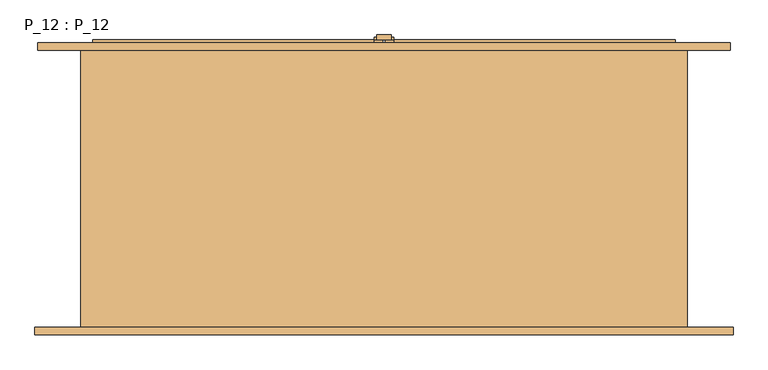
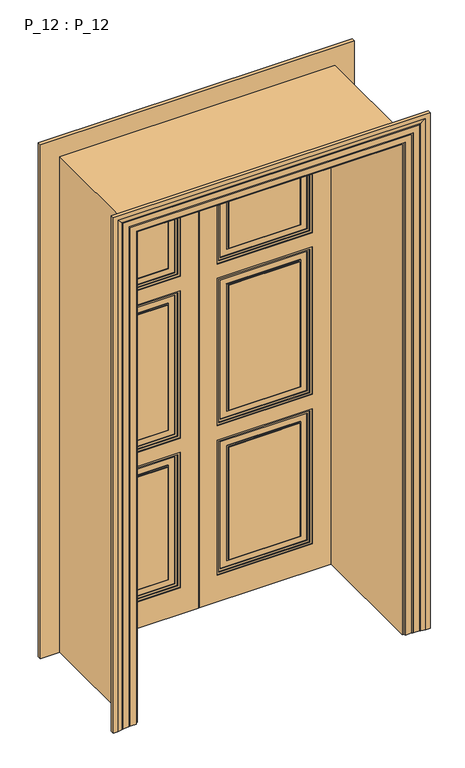
"""IFC4 building model written with IfcOpenShell, lengths in millimetres: door geometry, P_12 : P_12."""

import ifcopenshell
import ifcopenshell.guid

model = None  # the IFC model being written
_history = None  # IfcOwnerHistory: only IFC2X3 demands one
_inside = {}  # id of a spatial element -> (the spatial element, [elements in it])
_under = {}  # id of a project, library or spatial element -> (it, [spatial elements below it])
_declared = {}  # id of a project -> (the project, [libraries it declares])
_typed = {}  # id of a type object -> (the type object, [elements of that type])
_made_of = {}  # id of a material, layer set ... -> (it, [elements and type objects made of it])


def new_model(schema):
    """Start an empty IFC model of exactly this schema.

    Asked for "IFC4X3", IfcOpenShell would pick the latest addendum, in which some entities
    have other attributes; the version numbers below select the first issue.
    IFC2X3 requires an IfcOwnerHistory on every rooted entity: one is made here for all.
    """
    global model, _history
    if schema == "IFC4X3":
        model = ifcopenshell.file(schema_version=(4, 3, 0, 0))
    else:
        model = ifcopenshell.file(schema=schema)
    _inside.clear()
    _under.clear()
    _declared.clear()
    _typed.clear()
    _made_of.clear()
    _history = None
    if model.schema == "IFC2X3":
        org = make("IfcOrganization", Name="unknown")
        user = make(
            "IfcPersonAndOrganization",
            ThePerson=make("IfcPerson", FamilyName="unknown"),
            TheOrganization=org,
        )
        app = make(
            "IfcApplication",
            ApplicationDeveloper=org,
            Version="unknown",
            ApplicationFullName="unknown",
            ApplicationIdentifier="unknown",
        )
        _history = make(
            "IfcOwnerHistory",
            OwningUser=user,
            OwningApplication=app,
            ChangeAction="ADDED",
            CreationDate=0,
        )
    return model


def make(cls, **values):
    """One entity of the class cls with the attributes given. An attribute that is None is left unset."""
    return model.create_entity(
        cls, **{name: value for name, value in values.items() if value is not None}
    )


def rooted(cls, **values):
    """An entity with a GlobalId (a new one), such as an element, a storey or a relation."""
    return make(cls, GlobalId=ifcopenshell.guid.new(), OwnerHistory=_history, **values)


def si_unit(unit_type, name, prefix=None):
    """IfcSIUnit, for example si_unit("LENGTHUNIT", "METRE", prefix="MILLI")."""
    return make("IfcSIUnit", UnitType=unit_type, Prefix=prefix, Name=name)


def assignment(units):
    """IfcUnitAssignment: the units of a project."""
    return None if units is None else make("IfcUnitAssignment", Units=units)


def point(xyz):
    """IfcCartesianPoint."""
    return None if xyz is None else make("IfcCartesianPoint", Coordinates=xyz)


def direction(xyz):
    """IfcDirection."""
    return None if xyz is None else make("IfcDirection", DirectionRatios=xyz)


def frame(location, z_axis=None, x_axis=None):
    """IfcAxis2Placement3D, a coordinate frame: its origin and axes. An axis left out is left unset."""
    return make(
        "IfcAxis2Placement3D",
        Location=point(location),
        Axis=direction(z_axis),
        RefDirection=direction(x_axis),
    )


def origin():
    """The frame at (0, 0, 0) with its axes left unset."""
    return frame((0.0, 0.0, 0.0))


def origin_with_axes():
    """The frame at (0, 0, 0) with the z axis (0, 0, 1) and the x axis (1, 0, 0) written out."""
    return frame((0.0, 0.0, 0.0), z_axis=(0.0, 0.0, 1.0), x_axis=(1.0, 0.0, 0.0))


def place(relative_to, where):
    """IfcLocalPlacement: puts the frame where relative to a parent placement (None: the world)."""
    return make(
        "IfcLocalPlacement", PlacementRelTo=relative_to, RelativePlacement=where
    )


def context(
    kind, dimensions, precision=None, world=None, true_north=None, identifier=None
):
    """IfcGeometricRepresentationContext, for example the 3D "Model" context."""
    return make(
        "IfcGeometricRepresentationContext",
        ContextIdentifier=identifier,
        ContextType=kind,
        CoordinateSpaceDimension=dimensions,
        Precision=precision,
        WorldCoordinateSystem=world,
        TrueNorth=true_north,
    )


def project(units=None, contexts=None):
    """IfcProject with its units and contexts."""
    return rooted(
        "IfcProject",
        Name="project",
        RepresentationContexts=contexts,
        UnitsInContext=assignment(units),
    )


def spatial(cls, under=None, at=None, **own):
    """A site, building, storey or space (cls), placed at a placement, below another one or the project."""
    s = rooted(cls, ObjectPlacement=at, **own)
    if under is not None:
        _under.setdefault(under.id(), (under, []))[1].append(s)
    return s


def polyline(points):
    """IfcPolyline through the points."""
    return make("IfcPolyline", Points=[point(p) for p in points])


def outline(outer, holes=None, kind="AREA"):
    """IfcArbitraryClosedProfileDef: a profile drawn as a closed curve; with holes, ...WithVoids."""
    if holes is None:
        return make("IfcArbitraryClosedProfileDef", ProfileType=kind, OuterCurve=outer)
    return make(
        "IfcArbitraryProfileDefWithVoids",
        ProfileType=kind,
        OuterCurve=outer,
        InnerCurves=holes,
    )


def extrude(swept, where, along, depth):
    """IfcExtrudedAreaSolid: the profile swept, set in the frame where, extruded along a direction by depth."""
    return make(
        "IfcExtrudedAreaSolid",
        SweptArea=swept,
        Position=where,
        ExtrudedDirection=direction(along),
        Depth=depth,
    )


def faces_of(points, faces, orient=None, outer=None):
    """IfcFace entities. A face is a list of loops; a loop is a list of indices into points, from 0.

    orient and outer hold one flag for each loop. By default every Orientation is true, the
    first loop of a face is its IfcFaceOuterBound and the others are IfcFaceBound.
    """
    made = []
    for i, loops in enumerate(faces):
        bounds = []
        for j, loop in enumerate(loops):
            is_outer = j == 0 if outer is None else outer[i][j]
            bounds.append(
                make(
                    "IfcFaceOuterBound" if is_outer else "IfcFaceBound",
                    Bound=make("IfcPolyLoop", Polygon=[points[k] for k in loop]),
                    Orientation=True if orient is None else orient[i][j],
                )
            )
        made.append(make("IfcFace", Bounds=bounds))
    return made


def faceted_brep(points, faces, orient=None, outer=None, voids=None):
    """IfcFacetedBrep: a solid bounded by flat faces; with voids (closed shells), ...WithVoids."""
    shared = [point(p) for p in points]
    hull = make("IfcClosedShell", CfsFaces=faces_of(shared, faces, orient, outer))
    if voids is None:
        return make("IfcFacetedBrep", Outer=hull)
    return make(
        "IfcFacetedBrepWithVoids",
        Outer=hull,
        Voids=[
            make(cls, CfsFaces=faces_of(shared, fs, o, b)) for cls, fs, o, b in voids
        ],
    )


def shape(context_of_items, identifier, shape_type, items):
    """IfcShapeRepresentation: the items that make up one representation, for example the "Body"."""
    return make(
        "IfcShapeRepresentation",
        ContextOfItems=context_of_items,
        RepresentationIdentifier=identifier,
        RepresentationType=shape_type,
        Items=items,
    )


def source(mapping_origin, context_of_items, identifier, shape_type, items):
    """IfcRepresentationMap: a shape defined once, which mapped items show again and again."""
    return make(
        "IfcRepresentationMap",
        MappingOrigin=mapping_origin,
        MappedRepresentation=shape(context_of_items, identifier, shape_type, items),
    )


def transform(
    local_origin,
    x_axis=None,
    y_axis=None,
    z_axis=None,
    scale=None,
    scale2=None,
    scale3=None,
    uniform=True,
):
    """IfcCartesianTransformationOperator3D, or its non-uniform kind. x_axis, y_axis, z_axis: its Axis1, 2, 3."""
    if uniform:
        return make(
            "IfcCartesianTransformationOperator3D",
            Axis1=direction(x_axis),
            Axis2=direction(y_axis),
            LocalOrigin=point(local_origin),
            Scale=scale,
            Axis3=direction(z_axis),
        )
    return make(
        "IfcCartesianTransformationOperator3DnonUniform",
        Axis1=direction(x_axis),
        Axis2=direction(y_axis),
        LocalOrigin=point(local_origin),
        Scale=scale,
        Axis3=direction(z_axis),
        Scale2=scale2,
        Scale3=scale3,
    )


def mapped(mapping_source, mapping_target):
    """IfcMappedItem: shows the shape of a source again, moved by a transform."""
    return make(
        "IfcMappedItem", MappingSource=mapping_source, MappingTarget=mapping_target
    )


def made_of(thing, what):
    """Note that an element or type object is made of a material, layer set ...; save() writes the relation."""
    if what is not None:
        _made_of.setdefault(what.id(), (what, []))[1].append(thing)
    return thing


def element(
    cls,
    number,
    at=None,
    inside=None,
    cuts=None,
    type_object=None,
    material=None,
    context=None,
    identifier="Body",
    shape_type=None,
    held_by="IfcProductDefinitionShape",
    body=None,
    shapes=None,
    **own,
):
    """One element of the class cls, such as IfcWall. Its Tag is "e" and its number.

    at: its placement. inside: the storey or other place that contains it. cuts: it is an
    opening in that element (IfcRelVoidsElement). A single representation is given by context,
    identifier, shape_type and body (its items); several are given by shapes. held_by: the class
    of the entity that holds the representations. save() writes the other relations.
    """
    e = rooted(cls, Tag="e%d" % number, ObjectPlacement=at, **own)
    if body is not None:
        shapes = [shape(context, identifier, shape_type, body)]
    if shapes is not None:
        e.Representation = make(held_by, Representations=shapes)
    if inside is not None:
        _inside.setdefault(inside.id(), (inside, []))[1].append(e)
    if cuts is not None:
        rooted(
            "IfcRelVoidsElement", RelatingBuildingElement=cuts, RelatedOpeningElement=e
        )
    if type_object is not None:
        _typed.setdefault(type_object.id(), (type_object, []))[1].append(e)
    return made_of(e, material)


def aggregate(whole, parts):
    """IfcRelAggregates: a whole, such as a stair, and the parts it consists of."""
    return rooted("IfcRelAggregates", RelatingObject=whole, RelatedObjects=parts)


def save(model, path):
    """Write the relations noted so far, then the file.

    IfcRelAggregates (storeys below a building ...), IfcRelContainedInSpatialStructure (elements
    in a storey), IfcRelDefinesByType, IfcRelAssociatesMaterial and IfcRelDeclares: one each for
    every whole, place, type object, material and project.
    """
    for whole, parts in _under.values():
        aggregate(whole, parts)
    for where, things in _inside.values():
        rooted(
            "IfcRelContainedInSpatialStructure",
            RelatedElements=things,
            RelatingStructure=where,
        )
    for kind, things in _typed.values():
        rooted("IfcRelDefinesByType", RelatedObjects=things, RelatingType=kind)
    for what, things in _made_of.values():
        rooted("IfcRelAssociatesMaterial", RelatedObjects=things, RelatingMaterial=what)
    for by, libraries in _declared.values():
        rooted("IfcRelDeclares", RelatingContext=by, RelatedDefinitions=libraries)
    model.write(path)


def p_12_p_12_e180a871(model_context):
    return source(origin(), model_context, "Body", "SolidModel", [
        extrude(outline(polyline([(15.0, 312.0), (-15.0, 312.0), (-15.0, 322.0), (15.0, 322.0), (15.0, 312.0)])), origin_with_axes(), (0.0, 0.0, 1.0), 2400.0),
        extrude(outline(polyline([(20.0, 312.0), (15.0, 312.0), (15.0, 317.0), (20.0, 317.0), (20.0, 312.0)])), origin_with_axes(), (0.0, 0.0, 1.0), 2400.0),
        extrude(outline(polyline([(-15.0, 312.0), (-20.0, 312.0), (-20.0, 317.0), (-15.0, 317.0), (-15.0, 312.0)])), origin_with_axes(), (0.0, 0.0, 1.0), 2400.0),
        extrude(outline(polyline([(130.0, -525.0), (130.0, -85.0), (790.0, -85.0), (790.0, -525.0), (130.0, -525.0)]), holes=[polyline([(780.0, -95.0), (140.0, -95.0), (140.0, -515.0), (780.0, -515.0), (780.0, -95.0)])]), frame((0.0, 282.0, 0.0), z_axis=(0.0, 1.0, 0.0), x_axis=(0.0, 0.0, 1.0)), (0.0, 0.0, 1.0), 8.0),
        extrude(outline(polyline([(1580.0, -85.0), (1580.0, -525.0), (860.0, -525.0), (860.0, -85.0), (1580.0, -85.0)]), holes=[polyline([(870.0, -95.0), (870.0, -515.0), (1570.0, -515.0), (1570.0, -95.0), (870.0, -95.0)])]), frame((0.0, 282.0, 0.0), z_axis=(0.0, 1.0, 0.0), x_axis=(0.0, 0.0, 1.0)), (0.0, 0.0, 1.0), 8.0),
        extrude(outline(polyline([(1650.0, -85.0), (2310.0, -85.0), (2310.0, -525.0), (1650.0, -525.0), (1650.0, -85.0)]), holes=[polyline([(2300.0, -95.0), (1660.0, -95.0), (1660.0, -515.0), (2300.0, -515.0), (2300.0, -95.0)])]), frame((0.0, 282.0, 0.0), z_axis=(0.0, 1.0, 0.0), x_axis=(0.0, 0.0, 1.0)), (0.0, 0.0, 1.0), 8.0),
        extrude(outline(polyline([(0.0, -610.0), (0.0, -2.5), (2395.0, -2.5), (2395.0, -610.0), (0.0, -610.0)]), holes=[polyline([(130.0, -85.0), (130.0, -525.0), (790.0, -525.0), (790.0, -85.0), (130.0, -85.0)]), polyline([(1650.0, -85.0), (1650.0, -525.0), (2310.0, -525.0), (2310.0, -85.0), (1650.0, -85.0)]), polyline([(1580.0, -525.0), (1580.0, -85.0), (860.0, -85.0), (860.0, -525.0), (1580.0, -525.0)])]), frame((0.0, 278.0, 0.0), z_axis=(0.0, 1.0, 0.0), x_axis=(0.0, 0.0, 1.0)), (0.0, 0.0, 1.0), 12.0),
        extrude(outline(polyline([(130.0, 525.0), (790.0, 525.0), (790.0, 85.0), (130.0, 85.0), (130.0, 525.0)]), holes=[polyline([(780.0, 95.0), (780.0, 515.0), (140.0, 515.0), (140.0, 95.0), (780.0, 95.0)])]), frame((0.0, 282.0, 0.0), z_axis=(0.0, 1.0, 0.0), x_axis=(0.0, 0.0, 1.0)), (0.0, 0.0, 1.0), 8.0),
        extrude(outline(polyline([(1650.0, 85.0), (1650.0, 525.0), (2310.0, 525.0), (2310.0, 85.0), (1650.0, 85.0)]), holes=[polyline([(2300.0, 95.0), (2300.0, 515.0), (1660.0, 515.0), (1660.0, 95.0), (2300.0, 95.0)])]), frame((0.0, 282.0, 0.0), z_axis=(0.0, 1.0, 0.0), x_axis=(0.0, 0.0, 1.0)), (0.0, 0.0, 1.0), 8.0),
        extrude(outline(polyline([(1580.0, 85.0), (860.0, 85.0), (860.0, 525.0), (1580.0, 525.0), (1580.0, 85.0)]), holes=[polyline([(870.0, 95.0), (1570.0, 95.0), (1570.0, 515.0), (870.0, 515.0), (870.0, 95.0)])]), frame((0.0, 282.0, 0.0), z_axis=(0.0, 1.0, 0.0), x_axis=(0.0, 0.0, 1.0)), (0.0, 0.0, 1.0), 8.0),
        extrude(outline(polyline([(0.0, 610.0), (2395.0, 610.0), (2395.0, 2.5), (0.0, 2.5), (0.0, 610.0)]), holes=[polyline([(130.0, 85.0), (790.0, 85.0), (790.0, 525.0), (130.0, 525.0), (130.0, 85.0)]), polyline([(1580.0, 525.0), (860.0, 525.0), (860.0, 85.0), (1580.0, 85.0), (1580.0, 525.0)]), polyline([(1650.0, 85.0), (2310.0, 85.0), (2310.0, 525.0), (1650.0, 525.0), (1650.0, 85.0)])]), frame((0.0, 278.0, 0.0), z_axis=(0.0, 1.0, 0.0), x_axis=(0.0, 0.0, 1.0)), (0.0, 0.0, 1.0), 12.0),
        extrude(outline(polyline([(130.0, -525.0), (130.0, -85.0), (790.0, -85.0), (790.0, -525.0), (130.0, -525.0)]), holes=[polyline([(780.0, -95.0), (140.0, -95.0), (140.0, -515.0), (780.0, -515.0), (780.0, -95.0)])]), frame((0.0, 300.0, 0.0), z_axis=(0.0, 1.0, 0.0), x_axis=(0.0, 0.0, 1.0)), (0.0, 0.0, 1.0), 8.0),
        extrude(outline(polyline([(1650.0, -85.0), (2310.0, -85.0), (2310.0, -525.0), (1650.0, -525.0), (1650.0, -85.0)]), holes=[polyline([(2300.0, -95.0), (1660.0, -95.0), (1660.0, -515.0), (2300.0, -515.0), (2300.0, -95.0)])]), frame((0.0, 300.0, 0.0), z_axis=(0.0, 1.0, 0.0), x_axis=(0.0, 0.0, 1.0)), (0.0, 0.0, 1.0), 8.0),
        extrude(outline(polyline([(1580.0, -85.0), (1580.0, -525.0), (860.0, -525.0), (860.0, -85.0), (1580.0, -85.0)]), holes=[polyline([(870.0, -95.0), (870.0, -515.0), (1570.0, -515.0), (1570.0, -95.0), (870.0, -95.0)])]), frame((0.0, 300.0, 0.0), z_axis=(0.0, 1.0, 0.0), x_axis=(0.0, 0.0, 1.0)), (0.0, 0.0, 1.0), 8.0),
        extrude(outline(polyline([(0.0, -610.0), (0.0, -2.5), (2395.0, -2.5), (2395.0, -610.0), (0.0, -610.0)]), holes=[polyline([(130.0, -85.0), (130.0, -525.0), (790.0, -525.0), (790.0, -85.0), (130.0, -85.0)]), polyline([(1650.0, -85.0), (1650.0, -525.0), (2310.0, -525.0), (2310.0, -85.0), (1650.0, -85.0)]), polyline([(1580.0, -525.0), (1580.0, -85.0), (860.0, -85.0), (860.0, -525.0), (1580.0, -525.0)])]), frame((0.0, 300.0, 0.0), z_axis=(0.0, 1.0, 0.0), x_axis=(0.0, 0.0, 1.0)), (0.0, 0.0, 1.0), 12.0),
        extrude(outline(polyline([(0.0, -615.0), (0.0, -610.0), (2395.0, -610.0), (2395.0, -2.5), (2400.0, -2.5), (2400.0, -615.0), (0.0, -615.0)])), frame((0.0, 300.0, 0.0), z_axis=(0.0, 1.0, 0.0), x_axis=(0.0, 0.0, 1.0)), (0.0, 0.0, 1.0), 5.0),
        extrude(outline(polyline([(-2.5, 290.0), (-615.0, 290.0), (-615.0, 300.0), (-2.5, 300.0), (-2.5, 290.0)])), origin_with_axes(), (0.0, 0.0, 1.0), 2400.0),
        extrude(outline(polyline([(615.0, 290.0), (2.5, 290.0), (2.5, 300.0), (615.0, 300.0), (615.0, 290.0)])), origin_with_axes(), (0.0, 0.0, 1.0), 2400.0),
        extrude(outline(polyline([(130.0, 525.0), (790.0, 525.0), (790.0, 85.0), (130.0, 85.0), (130.0, 525.0)]), holes=[polyline([(780.0, 95.0), (780.0, 515.0), (140.0, 515.0), (140.0, 95.0), (780.0, 95.0)])]), frame((0.0, 300.0, 0.0), z_axis=(0.0, 1.0, 0.0), x_axis=(0.0, 0.0, 1.0)), (0.0, 0.0, 1.0), 8.0),
        extrude(outline(polyline([(1580.0, 85.0), (860.0, 85.0), (860.0, 525.0), (1580.0, 525.0), (1580.0, 85.0)]), holes=[polyline([(870.0, 95.0), (1570.0, 95.0), (1570.0, 515.0), (870.0, 515.0), (870.0, 95.0)])]), frame((0.0, 300.0, 0.0), z_axis=(0.0, 1.0, 0.0), x_axis=(0.0, 0.0, 1.0)), (0.0, 0.0, 1.0), 8.0),
        extrude(outline(polyline([(1650.0, 85.0), (1650.0, 525.0), (2310.0, 525.0), (2310.0, 85.0), (1650.0, 85.0)]), holes=[polyline([(2300.0, 95.0), (2300.0, 515.0), (1660.0, 515.0), (1660.0, 95.0), (2300.0, 95.0)])]), frame((0.0, 300.0, 0.0), z_axis=(0.0, 1.0, 0.0), x_axis=(0.0, 0.0, 1.0)), (0.0, 0.0, 1.0), 8.0),
        faceted_brep([(615.0, 300.0, 0.0), (615.0, 300.0, 2400.0), (2.5, 300.0, 2400.0), (2.5, 300.0, 0.0), (85.0, 300.0, 130.0), (85.0, 300.0, 790.0), (525.0, 300.0, 790.0), (525.0, 300.0, 130.0), (525.0, 300.0, 1580.0), (525.0, 300.0, 860.0), (85.0, 300.0, 860.0), (85.0, 300.0, 1580.0), (85.0, 300.0, 1650.0), (85.0, 300.0, 2310.0), (525.0, 300.0, 2310.0), (525.0, 300.0, 1650.0), (85.0, 312.0, 130.0), (85.0, 312.0, 790.0), (525.0, 312.0, 790.0), (525.0, 312.0, 130.0), (615.0, 305.0, 0.0), (615.0, 305.0, 2400.0), (2.5, 305.0, 2400.0), (2.5, 305.0, 2395.0), (2.5, 312.0, 2395.0), (2.5, 312.0, 0.0), (610.0, 312.0, 0.0), (610.0, 305.0, 0.0), (525.0, 312.0, 1580.0), (525.0, 312.0, 860.0), (85.0, 312.0, 860.0), (85.0, 312.0, 1580.0), (610.0, 312.0, 2395.0), (85.0, 312.0, 1650.0), (525.0, 312.0, 1650.0), (525.0, 312.0, 2310.0), (85.0, 312.0, 2310.0), (610.0, 305.0, 2395.0)], [[[0, 1, 2, 3], [4, 5, 6, 7], [8, 9, 10, 11], [12, 13, 14, 15]], [[5, 4, 16, 17]], [[6, 5, 17, 18]], [[7, 6, 18, 19]], [[4, 7, 19, 16]], [[0, 20, 21, 1]], [[3, 2, 22, 23, 24, 25]], [[0, 3, 25, 26, 27, 20]], [[9, 8, 28, 29]], [[10, 9, 29, 30]], [[11, 10, 30, 31]], [[26, 25, 24, 32], [16, 19, 18, 17], [33, 34, 35, 36], [28, 31, 30, 29]], [[26, 32, 37, 27]], [[20, 27, 37, 23, 22, 21]], [[13, 12, 33, 36]], [[14, 13, 36, 35]], [[15, 14, 35, 34]], [[1, 21, 22, 2]], [[32, 24, 23, 37]], [[12, 15, 34, 33]], [[8, 11, 31, 28]]]),
        faceted_brep([(725.0, 290.0, 0.0), (635.0, 290.0, 0.0), (635.0, -290.0, 0.0), (731.0, -290.0, 0.0), (731.0, -306.0, 0.0), (711.0, -306.0, 0.0), (691.0, -302.0291126, 0.0), (691.0, -301.0291126, 0.0), (686.0, -301.0291126, 0.0), (686.0, -300.0291126, 0.0), (656.0, -300.0291126, 0.0), (656.0, -299.0291126, 0.0), (651.0, -299.0291126, 0.0), (651.0, -298.0291126, 0.0), (621.0, -298.0291126, 0.0), (621.0, -290.0, 0.0), (611.0, -290.0, 0.0), (611.0, 290.0, 0.0), (621.0, 290.0, 0.0), (621.0, 298.0291126, 0.0), (651.0, 298.0291126, 0.0), (651.0, 299.0291126, 0.0), (656.0, 299.0291126, 0.0), (656.0, 300.0291126, 0.0), (680.0, 300.0291126, 0.0), (680.0, 301.0291126, 0.0), (685.0, 301.0291126, 0.0), (685.0, 302.0291126, 0.0), (705.0, 306.0, 0.0), (725.0, 306.0, 0.0), (725.0, 290.0, 2510.0), (-725.0, 290.0, 2510.0), (-725.0, 290.0, 0.0), (-635.0, 290.0, 0.0), (-635.0, 290.0, 2420.0), (635.0, 290.0, 2420.0), (635.0, -290.0, 2420.0), (-635.0, -290.0, 2420.0), (-635.0, -290.0, 0.0), (-731.0, -290.0, 0.0), (-731.0, -290.0, 2516.0), (731.0, -290.0, 2516.0), (731.0, -306.0, 2516.0), (-731.0, -306.0, 2516.0), (-731.0, -306.0, 0.0), (-711.0, -306.0, 0.0), (-711.0, -306.0, 2496.0), (711.0, -306.0, 2496.0), (691.0, -302.0291126, 2476.0), (691.0, -301.0291126, 2476.0), (-691.0, -301.0291126, 2476.0), (-691.0, -301.0291126, 0.0), (-686.0, -301.0291126, 0.0), (-686.0, -301.0291126, 2471.0), (686.0, -301.0291126, 2471.0), (686.0, -300.0291126, 2471.0), (-686.0, -300.0291126, 2471.0), (-686.0, -300.0291126, 0.0), (-656.0, -300.0291126, 0.0), (-656.0, -300.0291126, 2441.0), (656.0, -300.0291126, 2441.0), (656.0, -299.0291126, 2441.0), (-656.0, -299.0291126, 2441.0), (-656.0, -299.0291126, 0.0), (-651.0, -299.0291126, 0.0), (-651.0, -299.0291126, 2436.0), (651.0, -299.0291126, 2436.0), (651.0, -298.0291126, 2436.0), (-651.0, -298.0291126, 2436.0), (-651.0, -298.0291126, 0.0), (-621.0, -298.0291126, 0.0), (-621.0, -298.0291126, 2406.0), (621.0, -298.0291126, 2406.0), (621.0, -290.0, 2406.0), (-621.0, -290.0, 2406.0), (-621.0, -290.0, 0.0), (-611.0, -290.0, 0.0), (-611.0, -290.0, 2396.0), (611.0, -290.0, 2396.0), (611.0, 290.0, 2396.0), (-611.0, 290.0, 2396.0), (-611.0, 290.0, 0.0), (-621.0, 290.0, 0.0), (-621.0, 290.0, 2406.0), (621.0, 290.0, 2406.0), (621.0, 298.0291126, 2406.0), (-621.0, 298.0291126, 2406.0), (-621.0, 298.0291126, 0.0), (-651.0, 298.0291126, 0.0), (-651.0, 298.0291126, 2436.0), (651.0, 298.0291126, 2436.0), (651.0, 299.0291126, 2436.0), (-651.0, 299.0291126, 2436.0), (-651.0, 299.0291126, 0.0), (-656.0, 299.0291126, 0.0), (-656.0, 299.0291126, 2441.0), (656.0, 299.0291126, 2441.0), (656.0, 300.0291126, 2441.0), (-656.0, 300.0291126, 2441.0), (-656.0, 300.0291126, 0.0), (-680.0, 300.0291126, 0.0), (-680.0, 300.0291126, 2465.0), (680.0, 300.0291126, 2465.0), (680.0, 301.0291126, 2465.0), (-680.0, 301.0291126, 2465.0), (-680.0, 301.0291126, 0.0), (-685.0, 301.0291126, 0.0), (-685.0, 301.0291126, 2470.0), (685.0, 301.0291126, 2470.0), (685.0, 302.0291126, 2470.0), (705.0, 306.0, 2490.0), (-705.0, 306.0, 2490.0), (-705.0, 306.0, 0.0), (-725.0, 306.0, 0.0), (-725.0, 306.0, 2510.0), (725.0, 306.0, 2510.0), (-685.0, 302.0291126, 0.0), (-691.0, -302.0291126, 0.0), (-685.0, 302.0291126, 2470.0), (-691.0, -302.0291126, 2476.0)], [[[0, 1, 2, 3, 4, 5, 6, 7, 8, 9, 10, 11, 12, 13, 14, 15, 16, 17, 18, 19, 20, 21, 22, 23, 24, 25, 26, 27, 28, 29]], [[1, 0, 30, 31, 32, 33, 34, 35]], [[2, 1, 35, 36]], [[3, 2, 36, 37, 38, 39, 40, 41]], [[4, 3, 41, 42]], [[5, 4, 42, 43, 44, 45, 46, 47]], [[6, 5, 47, 48]], [[7, 6, 48, 49]], [[8, 7, 49, 50, 51, 52, 53, 54]], [[9, 8, 54, 55]], [[10, 9, 55, 56, 57, 58, 59, 60]], [[11, 10, 60, 61]], [[12, 11, 61, 62, 63, 64, 65, 66]], [[13, 12, 66, 67]], [[14, 13, 67, 68, 69, 70, 71, 72]], [[15, 14, 72, 73]], [[16, 15, 73, 74, 75, 76, 77, 78]], [[17, 16, 78, 79]], [[18, 17, 79, 80, 81, 82, 83, 84]], [[19, 18, 84, 85]], [[20, 19, 85, 86, 87, 88, 89, 90]], [[21, 20, 90, 91]], [[22, 21, 91, 92, 93, 94, 95, 96]], [[23, 22, 96, 97]], [[24, 23, 97, 98, 99, 100, 101, 102]], [[25, 24, 102, 103]], [[26, 25, 103, 104, 105, 106, 107, 108]], [[27, 26, 108, 109]], [[28, 27, 109, 110]], [[29, 28, 110, 111, 112, 113, 114, 115]], [[0, 29, 115, 30]], [[31, 114, 113, 32]], [[32, 113, 112, 116, 106, 105, 100, 99, 94, 93, 88, 87, 82, 81, 76, 75, 70, 69, 64, 63, 58, 57, 52, 51, 117, 45, 44, 39, 38, 33]], [[37, 34, 33, 38]], [[74, 71, 70, 75]], [[80, 77, 76, 81]], [[86, 83, 82, 87]], [[111, 118, 116, 112]], [[118, 107, 106, 116]], [[104, 101, 100, 105]], [[98, 95, 94, 99]], [[92, 89, 88, 93]], [[68, 65, 64, 69]], [[62, 59, 58, 63]], [[56, 53, 52, 57]], [[50, 119, 117, 51]], [[119, 46, 45, 117]], [[43, 40, 39, 44]], [[30, 115, 114, 31]], [[36, 35, 34, 37]], [[73, 72, 71, 74]], [[79, 78, 77, 80]], [[85, 84, 83, 86]], [[91, 90, 89, 92]], [[97, 96, 95, 98]], [[103, 102, 101, 104]], [[109, 108, 107, 118]], [[110, 109, 118, 111]], [[42, 41, 40, 43]], [[48, 47, 46, 119]], [[49, 48, 119, 50]], [[55, 54, 53, 56]], [[61, 60, 59, 62]], [[67, 66, 65, 68]]]),
        extrude(outline(polyline([(-470.0, 290.0), (-140.0, 290.0), (-140.0, 282.0), (-470.0, 282.0), (-470.0, 290.0)])), frame((0.0, 0.0, 185.0), z_axis=(0.0, 0.0, 1.0), x_axis=(1.0, 0.0, 0.0)), (0.0, 0.0, 1.0), 550.0),
        extrude(outline(polyline([(-470.0, 290.0), (-140.0, 290.0), (-140.0, 282.0), (-470.0, 282.0), (-470.0, 290.0)])), frame((0.0, 0.0, 915.0), z_axis=(0.0, 0.0, 1.0), x_axis=(1.0, 0.0, 0.0)), (0.0, 0.0, 1.0), 610.0),
        extrude(outline(polyline([(-470.0, 290.0), (-140.0, 290.0), (-140.0, 282.0), (-470.0, 282.0), (-470.0, 290.0)])), frame((0.0, 0.0, 1705.0), z_axis=(0.0, 0.0, 1.0), x_axis=(1.0, 0.0, 0.0)), (0.0, 0.0, 1.0), 550.0),
        extrude(outline(polyline([(780.0, -95.0), (780.0, -515.0), (140.0, -515.0), (140.0, -95.0), (780.0, -95.0)]), holes=[polyline([(770.0, -105.0), (150.0, -105.0), (150.0, -505.0), (770.0, -505.0), (770.0, -105.0)])]), frame((0.0, 286.0, 0.0), z_axis=(0.0, 1.0, 0.0), x_axis=(0.0, 0.0, 1.0)), (0.0, 0.0, 1.0), 4.0),
        extrude(outline(polyline([(740.0, -135.0), (740.0, -475.0), (180.0, -475.0), (180.0, -135.0), (740.0, -135.0)]), holes=[polyline([(735.0, -140.0), (185.0, -140.0), (185.0, -470.0), (735.0, -470.0), (735.0, -140.0)])]), frame((0.0, 286.0, 0.0), z_axis=(0.0, 1.0, 0.0), x_axis=(0.0, 0.0, 1.0)), (0.0, 0.0, 1.0), 4.0),
        extrude(outline(polyline([(2300.0, -95.0), (2300.0, -515.0), (1660.0, -515.0), (1660.0, -95.0), (2300.0, -95.0)]), holes=[polyline([(2290.0, -105.0), (1670.0, -105.0), (1670.0, -505.0), (2290.0, -505.0), (2290.0, -105.0)])]), frame((0.0, 286.0, 0.0), z_axis=(0.0, 1.0, 0.0), x_axis=(0.0, 0.0, 1.0)), (0.0, 0.0, 1.0), 4.0),
        extrude(outline(polyline([(1570.0, -95.0), (1570.0, -515.0), (870.0, -515.0), (870.0, -95.0), (1570.0, -95.0)]), holes=[polyline([(1560.0, -105.0), (880.0, -105.0), (880.0, -505.0), (1560.0, -505.0), (1560.0, -105.0)])]), frame((0.0, 286.0, 0.0), z_axis=(0.0, 1.0, 0.0), x_axis=(0.0, 0.0, 1.0)), (0.0, 0.0, 1.0), 4.0),
        extrude(outline(polyline([(1530.0, -135.0), (1530.0, -475.0), (910.0, -475.0), (910.0, -135.0), (1530.0, -135.0)]), holes=[polyline([(1525.0, -140.0), (915.0, -140.0), (915.0, -470.0), (1525.0, -470.0), (1525.0, -140.0)])]), frame((0.0, 286.0, 0.0), z_axis=(0.0, 1.0, 0.0), x_axis=(0.0, 0.0, 1.0)), (0.0, 0.0, 1.0), 4.0),
        extrude(outline(polyline([(2260.0, -135.0), (2260.0, -475.0), (1700.0, -475.0), (1700.0, -135.0), (2260.0, -135.0)]), holes=[polyline([(2255.0, -140.0), (1705.0, -140.0), (1705.0, -470.0), (2255.0, -470.0), (2255.0, -140.0)])]), frame((0.0, 286.0, 0.0), z_axis=(0.0, 1.0, 0.0), x_axis=(0.0, 0.0, 1.0)), (0.0, 0.0, 1.0), 4.0),
        extrude(outline(polyline([(140.0, 290.0), (470.0, 290.0), (470.0, 282.0), (140.0, 282.0), (140.0, 290.0)])), frame((0.0, 0.0, 185.0), z_axis=(0.0, 0.0, 1.0), x_axis=(1.0, 0.0, 0.0)), (0.0, 0.0, 1.0), 550.0),
        extrude(outline(polyline([(140.0, 290.0), (470.0, 290.0), (470.0, 282.0), (140.0, 282.0), (140.0, 290.0)])), frame((0.0, 0.0, 915.0), z_axis=(0.0, 0.0, 1.0), x_axis=(1.0, 0.0, 0.0)), (0.0, 0.0, 1.0), 610.0),
        extrude(outline(polyline([(140.0, 290.0), (470.0, 290.0), (470.0, 282.0), (140.0, 282.0), (140.0, 290.0)])), frame((0.0, 0.0, 1705.0), z_axis=(0.0, 0.0, 1.0), x_axis=(1.0, 0.0, 0.0)), (0.0, 0.0, 1.0), 550.0),
        extrude(outline(polyline([(780.0, 95.0), (140.0, 95.0), (140.0, 515.0), (780.0, 515.0), (780.0, 95.0)]), holes=[polyline([(770.0, 105.0), (770.0, 505.0), (150.0, 505.0), (150.0, 105.0), (770.0, 105.0)])]), frame((0.0, 286.0, 0.0), z_axis=(0.0, 1.0, 0.0), x_axis=(0.0, 0.0, 1.0)), (0.0, 0.0, 1.0), 4.0),
        extrude(outline(polyline([(740.0, 135.0), (180.0, 135.0), (180.0, 475.0), (740.0, 475.0), (740.0, 135.0)]), holes=[polyline([(735.0, 140.0), (735.0, 470.0), (185.0, 470.0), (185.0, 140.0), (735.0, 140.0)])]), frame((0.0, 286.0, 0.0), z_axis=(0.0, 1.0, 0.0), x_axis=(0.0, 0.0, 1.0)), (0.0, 0.0, 1.0), 4.0),
        extrude(outline(polyline([(1570.0, 95.0), (870.0, 95.0), (870.0, 515.0), (1570.0, 515.0), (1570.0, 95.0)]), holes=[polyline([(1560.0, 105.0), (1560.0, 505.0), (880.0, 505.0), (880.0, 105.0), (1560.0, 105.0)])]), frame((0.0, 286.0, 0.0), z_axis=(0.0, 1.0, 0.0), x_axis=(0.0, 0.0, 1.0)), (0.0, 0.0, 1.0), 4.0),
        extrude(outline(polyline([(1530.0, 135.0), (910.0, 135.0), (910.0, 475.0), (1530.0, 475.0), (1530.0, 135.0)]), holes=[polyline([(1525.0, 140.0), (1525.0, 470.0), (915.0, 470.0), (915.0, 140.0), (1525.0, 140.0)])]), frame((0.0, 286.0, 0.0), z_axis=(0.0, 1.0, 0.0), x_axis=(0.0, 0.0, 1.0)), (0.0, 0.0, 1.0), 4.0),
        extrude(outline(polyline([(2300.0, 95.0), (1660.0, 95.0), (1660.0, 515.0), (2300.0, 515.0), (2300.0, 95.0)]), holes=[polyline([(2290.0, 105.0), (2290.0, 505.0), (1670.0, 505.0), (1670.0, 105.0), (2290.0, 105.0)])]), frame((0.0, 286.0, 0.0), z_axis=(0.0, 1.0, 0.0), x_axis=(0.0, 0.0, 1.0)), (0.0, 0.0, 1.0), 4.0),
        extrude(outline(polyline([(2260.0, 135.0), (1700.0, 135.0), (1700.0, 475.0), (2260.0, 475.0), (2260.0, 135.0)]), holes=[polyline([(2255.0, 140.0), (2255.0, 470.0), (1705.0, 470.0), (1705.0, 140.0), (2255.0, 140.0)])]), frame((0.0, 286.0, 0.0), z_axis=(0.0, 1.0, 0.0), x_axis=(0.0, 0.0, 1.0)), (0.0, 0.0, 1.0), 4.0),
        extrude(outline(polyline([(-140.0, 300.0), (-470.0, 300.0), (-470.0, 308.0), (-140.0, 308.0), (-140.0, 300.0)])), frame((0.0, 0.0, 185.0), z_axis=(0.0, 0.0, 1.0), x_axis=(1.0, 0.0, 0.0)), (0.0, 0.0, 1.0), 550.0),
        extrude(outline(polyline([(-140.0, 300.0), (-470.0, 300.0), (-470.0, 308.0), (-140.0, 308.0), (-140.0, 300.0)])), frame((0.0, 0.0, 915.0), z_axis=(0.0, 0.0, 1.0), x_axis=(1.0, 0.0, 0.0)), (0.0, 0.0, 1.0), 610.0),
        extrude(outline(polyline([(-140.0, 300.0), (-470.0, 300.0), (-470.0, 308.0), (-140.0, 308.0), (-140.0, 300.0)])), frame((0.0, 0.0, 1705.0), z_axis=(0.0, 0.0, 1.0), x_axis=(1.0, 0.0, 0.0)), (0.0, 0.0, 1.0), 550.0),
        extrude(outline(polyline([(780.0, -95.0), (780.0, -515.0), (140.0, -515.0), (140.0, -95.0), (780.0, -95.0)]), holes=[polyline([(770.0, -105.0), (150.0, -105.0), (150.0, -505.0), (770.0, -505.0), (770.0, -105.0)])]), frame((0.0, 300.0, 0.0), z_axis=(0.0, 1.0, 0.0), x_axis=(0.0, 0.0, 1.0)), (0.0, 0.0, 1.0), 4.0),
        extrude(outline(polyline([(740.0, -135.0), (740.0, -475.0), (180.0, -475.0), (180.0, -135.0), (740.0, -135.0)]), holes=[polyline([(735.0, -140.0), (185.0, -140.0), (185.0, -470.0), (735.0, -470.0), (735.0, -140.0)])]), frame((0.0, 300.0, 0.0), z_axis=(0.0, 1.0, 0.0), x_axis=(0.0, 0.0, 1.0)), (0.0, 0.0, 1.0), 4.0),
        extrude(outline(polyline([(1570.0, -95.0), (1570.0, -515.0), (870.0, -515.0), (870.0, -95.0), (1570.0, -95.0)]), holes=[polyline([(1560.0, -105.0), (880.0, -105.0), (880.0, -505.0), (1560.0, -505.0), (1560.0, -105.0)])]), frame((0.0, 300.0, 0.0), z_axis=(0.0, 1.0, 0.0), x_axis=(0.0, 0.0, 1.0)), (0.0, 0.0, 1.0), 4.0),
        extrude(outline(polyline([(1530.0, -135.0), (1530.0, -475.0), (910.0, -475.0), (910.0, -135.0), (1530.0, -135.0)]), holes=[polyline([(1525.0, -140.0), (915.0, -140.0), (915.0, -470.0), (1525.0, -470.0), (1525.0, -140.0)])]), frame((0.0, 300.0, 0.0), z_axis=(0.0, 1.0, 0.0), x_axis=(0.0, 0.0, 1.0)), (0.0, 0.0, 1.0), 4.0),
        extrude(outline(polyline([(2300.0, -95.0), (2300.0, -515.0), (1660.0, -515.0), (1660.0, -95.0), (2300.0, -95.0)]), holes=[polyline([(2290.0, -105.0), (1670.0, -105.0), (1670.0, -505.0), (2290.0, -505.0), (2290.0, -105.0)])]), frame((0.0, 300.0, 0.0), z_axis=(0.0, 1.0, 0.0), x_axis=(0.0, 0.0, 1.0)), (0.0, 0.0, 1.0), 4.0),
        extrude(outline(polyline([(2260.0, -135.0), (2260.0, -475.0), (1700.0, -475.0), (1700.0, -135.0), (2260.0, -135.0)]), holes=[polyline([(2255.0, -140.0), (1705.0, -140.0), (1705.0, -470.0), (2255.0, -470.0), (2255.0, -140.0)])]), frame((0.0, 300.0, 0.0), z_axis=(0.0, 1.0, 0.0), x_axis=(0.0, 0.0, 1.0)), (0.0, 0.0, 1.0), 4.0),
        extrude(outline(polyline([(470.0, 300.0), (140.0, 300.0), (140.0, 308.0), (470.0, 308.0), (470.0, 300.0)])), frame((0.0, 0.0, 185.0), z_axis=(0.0, 0.0, 1.0), x_axis=(1.0, 0.0, 0.0)), (0.0, 0.0, 1.0), 550.0),
        extrude(outline(polyline([(470.0, 300.0), (140.0, 300.0), (140.0, 308.0), (470.0, 308.0), (470.0, 300.0)])), frame((0.0, 0.0, 915.0), z_axis=(0.0, 0.0, 1.0), x_axis=(1.0, 0.0, 0.0)), (0.0, 0.0, 1.0), 610.0),
        extrude(outline(polyline([(470.0, 300.0), (140.0, 300.0), (140.0, 308.0), (470.0, 308.0), (470.0, 300.0)])), frame((0.0, 0.0, 1705.0), z_axis=(0.0, 0.0, 1.0), x_axis=(1.0, 0.0, 0.0)), (0.0, 0.0, 1.0), 550.0),
        extrude(outline(polyline([(780.0, 95.0), (140.0, 95.0), (140.0, 515.0), (780.0, 515.0), (780.0, 95.0)]), holes=[polyline([(770.0, 105.0), (770.0, 505.0), (150.0, 505.0), (150.0, 105.0), (770.0, 105.0)])]), frame((0.0, 300.0, 0.0), z_axis=(0.0, 1.0, 0.0), x_axis=(0.0, 0.0, 1.0)), (0.0, 0.0, 1.0), 4.0),
        extrude(outline(polyline([(740.0, 135.0), (180.0, 135.0), (180.0, 475.0), (740.0, 475.0), (740.0, 135.0)]), holes=[polyline([(735.0, 140.0), (735.0, 470.0), (185.0, 470.0), (185.0, 140.0), (735.0, 140.0)])]), frame((0.0, 300.0, 0.0), z_axis=(0.0, 1.0, 0.0), x_axis=(0.0, 0.0, 1.0)), (0.0, 0.0, 1.0), 4.0),
        extrude(outline(polyline([(2300.0, 95.0), (1660.0, 95.0), (1660.0, 515.0), (2300.0, 515.0), (2300.0, 95.0)]), holes=[polyline([(2290.0, 105.0), (2290.0, 505.0), (1670.0, 505.0), (1670.0, 105.0), (2290.0, 105.0)])]), frame((0.0, 300.0, 0.0), z_axis=(0.0, 1.0, 0.0), x_axis=(0.0, 0.0, 1.0)), (0.0, 0.0, 1.0), 4.0),
        extrude(outline(polyline([(1570.0, 95.0), (870.0, 95.0), (870.0, 515.0), (1570.0, 515.0), (1570.0, 95.0)]), holes=[polyline([(1560.0, 105.0), (1560.0, 505.0), (880.0, 505.0), (880.0, 105.0), (1560.0, 105.0)])]), frame((0.0, 300.0, 0.0), z_axis=(0.0, 1.0, 0.0), x_axis=(0.0, 0.0, 1.0)), (0.0, 0.0, 1.0), 4.0),
        extrude(outline(polyline([(1530.0, 135.0), (910.0, 135.0), (910.0, 475.0), (1530.0, 475.0), (1530.0, 135.0)]), holes=[polyline([(1525.0, 140.0), (1525.0, 470.0), (915.0, 470.0), (915.0, 140.0), (1525.0, 140.0)])]), frame((0.0, 300.0, 0.0), z_axis=(0.0, 1.0, 0.0), x_axis=(0.0, 0.0, 1.0)), (0.0, 0.0, 1.0), 4.0),
        extrude(outline(polyline([(2260.0, 135.0), (1700.0, 135.0), (1700.0, 475.0), (2260.0, 475.0), (2260.0, 135.0)]), holes=[polyline([(2255.0, 140.0), (2255.0, 470.0), (1705.0, 470.0), (1705.0, 140.0), (2255.0, 140.0)])]), frame((0.0, 300.0, 0.0), z_axis=(0.0, 1.0, 0.0), x_axis=(0.0, 0.0, 1.0)), (0.0, 0.0, 1.0), 4.0),
        extrude(outline(polyline([(2.5, 312.0), (20.0, 312.0), (20.0, 305.0), (2.5, 305.0), (2.5, 312.0)])), frame((0.0, 0.0, 2395.0), z_axis=(0.0, 0.0, 1.0), x_axis=(1.0, 0.0, 0.0)), (0.0, 0.0, 1.0), 5.0),
        extrude(outline(polyline([(-2.5, 312.0), (-2.5, 305.0), (-20.0, 305.0), (-20.0, 312.0), (-2.5, 312.0)])), frame((0.0, 0.0, 2395.0), z_axis=(0.0, 0.0, 1.0), x_axis=(1.0, 0.0, 0.0)), (0.0, 0.0, 1.0), 5.0),
    ])


if __name__ == "__main__":
    model = new_model("IFC4")
    model_context = context("Model", 3, world=origin())
    ifc_project = project(units=[si_unit("LENGTHUNIT", "METRE", prefix="MILLI")], contexts=[model_context])
    site = spatial("IfcSite", under=ifc_project)
    building = spatial("IfcBuilding", under=site)
    placement = place(None, origin())
    p_12_p_12_shape = p_12_p_12_e180a871(model_context)
    element("IfcDoor", 1, ObjectType="P_12 : P_12", at=placement, inside=building, context=model_context, shape_type="MappedRepresentation", body=[
        mapped(p_12_p_12_shape, transform((0.0, 0.0, 0.0), x_axis=(1.0, 0.0, 0.0), y_axis=(0.0, 1.0, 0.0), z_axis=(0.0, 0.0, 1.0))),
    ])
    save(model, "model.ifc")
